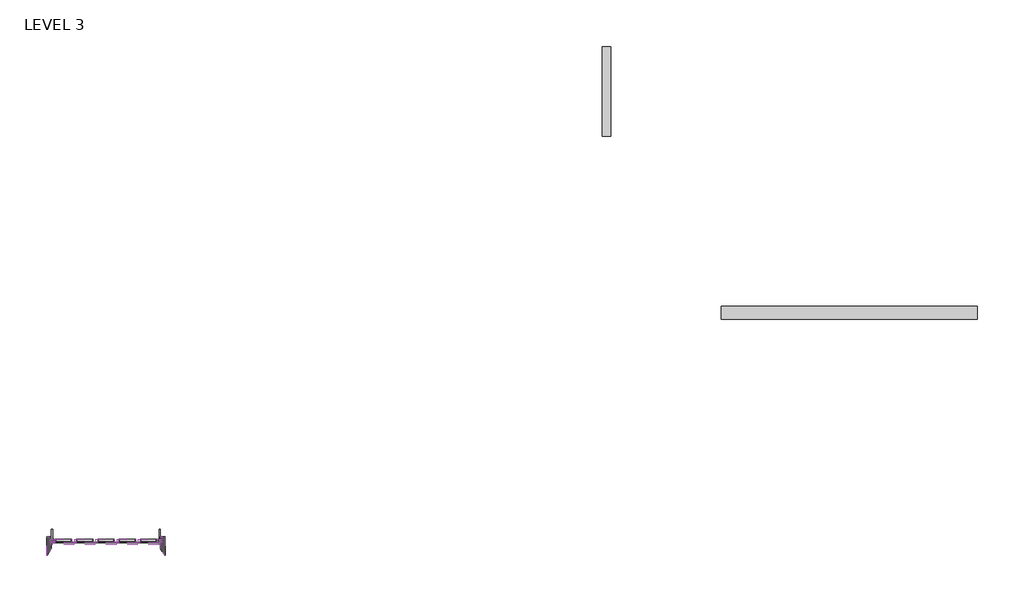
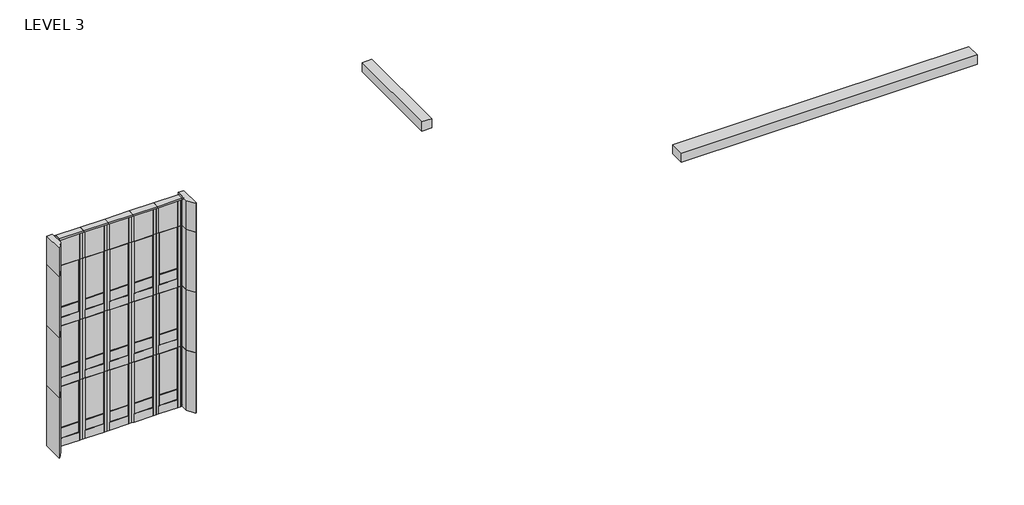
# One storey: 28 plates, 17 members, 2 proxies.
"""IFC4 building model written with IfcOpenShell, lengths in millimetres."""

import ifcopenshell
import ifcopenshell.guid

model = None  # the IFC model being written
_history = None  # IfcOwnerHistory: only IFC2X3 demands one
_inside = {}  # id of a spatial element -> (the spatial element, [elements in it])
_under = {}  # id of a project, library or spatial element -> (it, [spatial elements below it])
_declared = {}  # id of a project -> (the project, [libraries it declares])
_typed = {}  # id of a type object -> (the type object, [elements of that type])
_made_of = {}  # id of a material, layer set ... -> (it, [elements and type objects made of it])


def new_model(schema):
    """Start an empty IFC model of exactly this schema.

    Asked for "IFC4X3", IfcOpenShell would pick the latest addendum, in which some entities
    have other attributes; the version numbers below select the first issue.
    IFC2X3 requires an IfcOwnerHistory on every rooted entity: one is made here for all.
    """
    global model, _history
    if schema == "IFC4X3":
        model = ifcopenshell.file(schema_version=(4, 3, 0, 0))
    else:
        model = ifcopenshell.file(schema=schema)
    _inside.clear()
    _under.clear()
    _declared.clear()
    _typed.clear()
    _made_of.clear()
    _history = None
    if model.schema == "IFC2X3":
        org = make("IfcOrganization", Name="unknown")
        user = make(
            "IfcPersonAndOrganization",
            ThePerson=make("IfcPerson", FamilyName="unknown"),
            TheOrganization=org,
        )
        app = make(
            "IfcApplication",
            ApplicationDeveloper=org,
            Version="unknown",
            ApplicationFullName="unknown",
            ApplicationIdentifier="unknown",
        )
        _history = make(
            "IfcOwnerHistory",
            OwningUser=user,
            OwningApplication=app,
            ChangeAction="ADDED",
            CreationDate=0,
        )
    return model


def make(cls, **values):
    """One entity of the class cls with the attributes given. An attribute that is None is left unset."""
    return model.create_entity(
        cls, **{name: value for name, value in values.items() if value is not None}
    )


def rooted(cls, **values):
    """An entity with a GlobalId (a new one), such as an element, a storey or a relation."""
    return make(cls, GlobalId=ifcopenshell.guid.new(), OwnerHistory=_history, **values)


def si_unit(unit_type, name, prefix=None):
    """IfcSIUnit, for example si_unit("LENGTHUNIT", "METRE", prefix="MILLI")."""
    return make("IfcSIUnit", UnitType=unit_type, Prefix=prefix, Name=name)


def assignment(units):
    """IfcUnitAssignment: the units of a project."""
    return None if units is None else make("IfcUnitAssignment", Units=units)


def point(xyz):
    """IfcCartesianPoint."""
    return None if xyz is None else make("IfcCartesianPoint", Coordinates=xyz)


def direction(xyz):
    """IfcDirection."""
    return None if xyz is None else make("IfcDirection", DirectionRatios=xyz)


def frame(location, z_axis=None, x_axis=None):
    """IfcAxis2Placement3D, a coordinate frame: its origin and axes. An axis left out is left unset."""
    return make(
        "IfcAxis2Placement3D",
        Location=point(location),
        Axis=direction(z_axis),
        RefDirection=direction(x_axis),
    )


def origin():
    """The frame at (0, 0, 0) with its axes left unset."""
    return frame((0.0, 0.0, 0.0))


def origin_with_axes():
    """The frame at (0, 0, 0) with the z axis (0, 0, 1) and the x axis (1, 0, 0) written out."""
    return frame((0.0, 0.0, 0.0), z_axis=(0.0, 0.0, 1.0), x_axis=(1.0, 0.0, 0.0))


def place(relative_to, where):
    """IfcLocalPlacement: puts the frame where relative to a parent placement (None: the world)."""
    return make(
        "IfcLocalPlacement", PlacementRelTo=relative_to, RelativePlacement=where
    )


def context(
    kind, dimensions, precision=None, world=None, true_north=None, identifier=None
):
    """IfcGeometricRepresentationContext, for example the 3D "Model" context."""
    return make(
        "IfcGeometricRepresentationContext",
        ContextIdentifier=identifier,
        ContextType=kind,
        CoordinateSpaceDimension=dimensions,
        Precision=precision,
        WorldCoordinateSystem=world,
        TrueNorth=true_north,
    )


def project(units=None, contexts=None):
    """IfcProject with its units and contexts."""
    return rooted(
        "IfcProject",
        Name="project",
        RepresentationContexts=contexts,
        UnitsInContext=assignment(units),
    )


def spatial(cls, under=None, at=None, **own):
    """A site, building, storey or space (cls), placed at a placement, below another one or the project."""
    s = rooted(cls, ObjectPlacement=at, **own)
    if under is not None:
        _under.setdefault(under.id(), (under, []))[1].append(s)
    return s


def polyline(points):
    """IfcPolyline through the points."""
    return make("IfcPolyline", Points=[point(p) for p in points])


def outline(outer, holes=None, kind="AREA"):
    """IfcArbitraryClosedProfileDef: a profile drawn as a closed curve; with holes, ...WithVoids."""
    if holes is None:
        return make("IfcArbitraryClosedProfileDef", ProfileType=kind, OuterCurve=outer)
    return make(
        "IfcArbitraryProfileDefWithVoids",
        ProfileType=kind,
        OuterCurve=outer,
        InnerCurves=holes,
    )


def extrude(swept, where, along, depth):
    """IfcExtrudedAreaSolid: the profile swept, set in the frame where, extruded along a direction by depth."""
    return make(
        "IfcExtrudedAreaSolid",
        SweptArea=swept,
        Position=where,
        ExtrudedDirection=direction(along),
        Depth=depth,
    )


def shape(context_of_items, identifier, shape_type, items):
    """IfcShapeRepresentation: the items that make up one representation, for example the "Body"."""
    return make(
        "IfcShapeRepresentation",
        ContextOfItems=context_of_items,
        RepresentationIdentifier=identifier,
        RepresentationType=shape_type,
        Items=items,
    )


def source(mapping_origin, context_of_items, identifier, shape_type, items):
    """IfcRepresentationMap: a shape defined once, which mapped items show again and again."""
    return make(
        "IfcRepresentationMap",
        MappingOrigin=mapping_origin,
        MappedRepresentation=shape(context_of_items, identifier, shape_type, items),
    )


def transform(
    local_origin,
    x_axis=None,
    y_axis=None,
    z_axis=None,
    scale=None,
    scale2=None,
    scale3=None,
    uniform=True,
):
    """IfcCartesianTransformationOperator3D, or its non-uniform kind. x_axis, y_axis, z_axis: its Axis1, 2, 3."""
    if uniform:
        return make(
            "IfcCartesianTransformationOperator3D",
            Axis1=direction(x_axis),
            Axis2=direction(y_axis),
            LocalOrigin=point(local_origin),
            Scale=scale,
            Axis3=direction(z_axis),
        )
    return make(
        "IfcCartesianTransformationOperator3DnonUniform",
        Axis1=direction(x_axis),
        Axis2=direction(y_axis),
        LocalOrigin=point(local_origin),
        Scale=scale,
        Axis3=direction(z_axis),
        Scale2=scale2,
        Scale3=scale3,
    )


def mapped(mapping_source, mapping_target):
    """IfcMappedItem: shows the shape of a source again, moved by a transform."""
    return make(
        "IfcMappedItem", MappingSource=mapping_source, MappingTarget=mapping_target
    )


def made_of(thing, what):
    """Note that an element or type object is made of a material, layer set ...; save() writes the relation."""
    if what is not None:
        _made_of.setdefault(what.id(), (what, []))[1].append(thing)
    return thing


def element(
    cls,
    number,
    at=None,
    inside=None,
    cuts=None,
    type_object=None,
    material=None,
    context=None,
    identifier="Body",
    shape_type=None,
    held_by="IfcProductDefinitionShape",
    body=None,
    shapes=None,
    **own,
):
    """One element of the class cls, such as IfcWall. Its Tag is "e" and its number.

    at: its placement. inside: the storey or other place that contains it. cuts: it is an
    opening in that element (IfcRelVoidsElement). A single representation is given by context,
    identifier, shape_type and body (its items); several are given by shapes. held_by: the class
    of the entity that holds the representations. save() writes the other relations.
    """
    e = rooted(cls, Tag="e%d" % number, ObjectPlacement=at, **own)
    if body is not None:
        shapes = [shape(context, identifier, shape_type, body)]
    if shapes is not None:
        e.Representation = make(held_by, Representations=shapes)
    if inside is not None:
        _inside.setdefault(inside.id(), (inside, []))[1].append(e)
    if cuts is not None:
        rooted(
            "IfcRelVoidsElement", RelatingBuildingElement=cuts, RelatedOpeningElement=e
        )
    if type_object is not None:
        _typed.setdefault(type_object.id(), (type_object, []))[1].append(e)
    return made_of(e, material)


def aggregate(whole, parts):
    """IfcRelAggregates: a whole, such as a stair, and the parts it consists of."""
    return rooted("IfcRelAggregates", RelatingObject=whole, RelatedObjects=parts)


def save(model, path):
    """Write the relations noted so far, then the file.

    IfcRelAggregates (storeys below a building ...), IfcRelContainedInSpatialStructure (elements
    in a storey), IfcRelDefinesByType, IfcRelAssociatesMaterial and IfcRelDeclares: one each for
    every whole, place, type object, material and project.
    """
    for whole, parts in _under.values():
        aggregate(whole, parts)
    for where, things in _inside.values():
        rooted(
            "IfcRelContainedInSpatialStructure",
            RelatedElements=things,
            RelatingStructure=where,
        )
    for kind, things in _typed.values():
        rooted("IfcRelDefinesByType", RelatedObjects=things, RelatingType=kind)
    for what, things in _made_of.values():
        rooted("IfcRelAssociatesMaterial", RelatedObjects=things, RelatingMaterial=what)
    for by, libraries in _declared.values():
        rooted("IfcRelDeclares", RelatingContext=by, RelatedDefinitions=libraries)
    model.write(path)


def rectangular_mullion_corner_mullion_type_1_left_9e9c9ef2(model_context):
    return source(origin(), model_context, "Body", "SweptSolid", [
        extrude(outline(polyline([(-355.6, -381.0), (-355.6, 508.0), (-50.8, 965.2), (0.0, 965.2), (0.0, -381.0), (-355.6, -381.0)])), frame((0.0, 0.0, -3962.4), z_axis=(0.0, 0.0, 1.0), x_axis=(1.0, 0.0, 0.0)), (0.0, 0.0, 1.0), 3962.4),
    ])


def rectangular_mullion_corner_mullion_type_1_left_5a44f081(model_context):
    return source(origin(), model_context, "Body", "SweptSolid", [
        extrude(outline(polyline([(-355.6, -381.0), (-355.6, 508.0), (-50.8, 965.2), (0.0, 965.2), (0.0, -381.0), (-355.6, -381.0)])), frame((0.0, 0.0, -1892.3), z_axis=(0.0, 0.0, 1.0), x_axis=(1.0, 0.0, 0.0)), (0.0, 0.0, 1.0), 1892.3),
    ])


def rectangular_mullion_office_entry_notch_soffit_bc41a7c0(model_context):
    return source(origin(), model_context, "Body", "SweptSolid", [
        extrude(outline(polyline([(0.0, -901.7), (-101.6, -901.7), (-101.6, 50.8), (0.0, 50.8), (0.0, -901.7)])), frame((0.0, 0.0, -101.6), z_axis=(0.0, 0.0, 1.0), x_axis=(1.0, 0.0, 0.0)), (0.0, 0.0, 1.0), 101.6),
    ])


def rectangular_mullion_parapet_coping_8_in_85e4f691(model_context):
    return source(origin(), model_context, "Body", "SweptSolid", [
        extrude(outline(polyline([(-101.6, -190.5), (-101.6, 203.2), (0.0, 203.2), (0.0, -190.5), (-101.6, -190.5)])), frame((0.0, 0.0, -1524.0), z_axis=(0.0, 0.0, 1.0), x_axis=(1.0, 0.0, 0.0)), (0.0, 0.0, 1.0), 1524.0),
    ])


def rectangular_mullion_parapet_coping_8_in_cdf0a3d5(model_context):
    return source(origin(), model_context, "Body", "SweptSolid", [
        extrude(outline(polyline([(-101.6, -190.5), (-101.6, 203.2), (0.0, 203.2), (0.0, -190.5), (-101.6, -190.5)])), frame((0.0, 0.0, -101.6), z_axis=(0.0, 0.0, 1.0), x_axis=(1.0, 0.0, 0.0)), (0.0, 0.0, 1.0), 101.6),
    ])


def b38_cw_2_typical_notch_corten_e8821526(model_context):
    return source(origin(), model_context, "Body", "SweptSolid", [
        extrude(outline(polyline([(-584.2, -25.4), (584.2, -25.4), (584.2, -50.8), (-584.2, -50.8), (-584.2, -25.4)])), origin_with_axes(), (0.0, 0.0, 1.0), 533.4),
        extrude(outline(polyline([(-762.0, -50.8), (-762.0, -25.4), (-584.2, -25.4), (-584.2, -50.8), (-762.0, -50.8)])), origin_with_axes(), (0.0, 0.0, 1.0), 3962.4),
        extrude(outline(polyline([(584.2, -50.8), (584.2, -25.4), (762.0, -25.4), (762.0, -50.8), (584.2, -50.8)])), origin_with_axes(), (0.0, 0.0, 1.0), 3962.4),
        extrude(outline(polyline([(600.075, 0.0), (-600.075, 0.0), (-600.075, 25.4), (600.075, 25.4), (600.075, 0.0)])), frame((0.0, 0.0, 15.875), z_axis=(0.0, 0.0, 1.0), x_axis=(1.0, 0.0, 0.0)), (0.0, 0.0, 1.0), 1162.05),
        extrude(outline(polyline([(190.5, 1231.9), (190.5, 1155.7), (31.75, 1155.7), (31.75, 1177.925), (-6.35, 1177.925), (-6.35, 1209.675), (31.75, 1209.675), (31.75, 1231.9), (190.5, 1231.9)])), frame((-600.075, 0.0, 0.0), z_axis=(1.0, 0.0, 0.0), x_axis=(0.0, 1.0, 0.0)), (0.0, 0.0, 1.0), 1200.15),
        extrude(outline(polyline([(561.975, 190.5), (600.075, 190.5), (600.075, -25.4), (561.975, -25.4), (561.975, -6.35), (584.2, -6.35), (584.2, 31.75), (561.975, 31.75), (561.975, 190.5)])), frame((0.0, 0.0, 38.1), z_axis=(0.0, 0.0, 1.0), x_axis=(1.0, 0.0, 0.0)), (0.0, 0.0, 1.0), 3886.2),
        extrude(outline(polyline([(561.975, 31.75), (-561.975, 31.75), (-561.975, 95.25), (561.975, 95.25), (561.975, 31.75)])), frame((0.0, 0.0, 15.875), z_axis=(0.0, 0.0, 1.0), x_axis=(1.0, 0.0, 0.0)), (0.0, 0.0, 1.0), 1139.825),
        extrude(outline(polyline([(584.2, 0.0), (-584.2, 0.0), (-584.2, 25.4), (584.2, 25.4), (584.2, 0.0)])), frame((0.0, 0.0, 1209.675), z_axis=(0.0, 0.0, 1.0), x_axis=(1.0, 0.0, 0.0)), (0.0, 0.0, 1.0), 2736.85),
        extrude(outline(polyline([(190.5, 38.1), (190.5, 0.0), (-25.4, 0.0), (-25.4, 38.1), (-6.35, 38.1), (-6.35, 15.875), (31.75, 15.875), (31.75, 38.1), (190.5, 38.1)])), frame((-600.075, 0.0, 0.0), z_axis=(1.0, 0.0, 0.0), x_axis=(0.0, 1.0, 0.0)), (0.0, 0.0, 1.0), 1200.15),
        extrude(outline(polyline([(190.5, 3924.3), (31.75, 3924.3), (31.75, 3946.525), (-6.35, 3946.525), (-6.35, 3924.3), (-25.4, 3924.3), (-25.4, 3962.4), (190.5, 3962.4), (190.5, 3924.3)])), frame((-600.075, 0.0, 0.0), z_axis=(1.0, 0.0, 0.0), x_axis=(0.0, 1.0, 0.0)), (0.0, 0.0, 1.0), 1200.15),
        extrude(outline(polyline([(-561.975, 190.5), (-561.975, 31.75), (-584.2, 31.75), (-584.2, -6.35), (-561.975, -6.35), (-561.975, -25.4), (-600.075, -25.4), (-600.075, 190.5), (-561.975, 190.5)])), frame((0.0, 0.0, 38.1), z_axis=(0.0, 0.0, 1.0), x_axis=(1.0, 0.0, 0.0)), (0.0, 0.0, 1.0), 3886.2),
    ])


def b38_cw_2_typical_parapet_typical_01d58a1f(model_context):
    return source(origin(), model_context, "Body", "SweptSolid", [
        extrude(outline(polyline([(-584.2, -25.4), (584.2, -25.4), (584.2, -50.8), (-584.2, -50.8), (-584.2, -25.4)])), origin_with_axes(), (0.0, 0.0, 1.0), 1790.7),
        extrude(outline(polyline([(-762.0, -50.8), (-762.0, -25.4), (-584.2, -25.4), (-584.2, -50.8), (-762.0, -50.8)])), origin_with_axes(), (0.0, 0.0, 1.0), 1790.7),
        extrude(outline(polyline([(584.2, -50.8), (584.2, -25.4), (762.0, -25.4), (762.0, -50.8), (584.2, -50.8)])), origin_with_axes(), (0.0, 0.0, 1.0), 1790.7),
        extrude(outline(polyline([(561.975, 190.5), (600.075, 190.5), (600.075, -25.4), (561.975, -25.4), (561.975, -6.35), (584.2, -6.35), (584.2, 31.75), (561.975, 31.75), (561.975, 190.5)])), frame((0.0, 0.0, 38.1), z_axis=(0.0, 0.0, 1.0), x_axis=(1.0, 0.0, 0.0)), (0.0, 0.0, 1.0), 1714.5),
        extrude(outline(polyline([(561.975, 31.75), (-561.975, 31.75), (-561.975, 95.25), (561.975, 95.25), (561.975, 31.75)])), frame((0.0, 0.0, 15.875), z_axis=(0.0, 0.0, 1.0), x_axis=(1.0, 0.0, 0.0)), (0.0, 0.0, 1.0), 1736.725),
        extrude(outline(polyline([(190.5, 38.1), (190.5, 0.0), (-25.4, 0.0), (-25.4, 38.1), (-6.35, 38.1), (-6.35, 15.875), (31.75, 15.875), (31.75, 38.1), (190.5, 38.1)])), frame((-600.075, 0.0, 0.0), z_axis=(1.0, 0.0, 0.0), x_axis=(0.0, 1.0, 0.0)), (0.0, 0.0, 1.0), 1200.15),
        extrude(outline(polyline([(190.5, 1752.6), (31.75, 1752.6), (31.75, 1774.825), (-6.35, 1774.825), (-6.35, 1752.6), (-25.4, 1752.6), (-25.4, 1790.7), (190.5, 1790.7), (190.5, 1752.6)])), frame((-600.075, 0.0, 0.0), z_axis=(1.0, 0.0, 0.0), x_axis=(0.0, 1.0, 0.0)), (0.0, 0.0, 1.0), 1200.15),
        extrude(outline(polyline([(-561.975, 190.5), (-561.975, 31.75), (-584.2, 31.75), (-584.2, -6.35), (-561.975, -6.35), (-561.975, -25.4), (-600.075, -25.4), (-600.075, 190.5), (-561.975, 190.5)])), frame((0.0, 0.0, 38.1), z_axis=(0.0, 0.0, 1.0), x_axis=(1.0, 0.0, 0.0)), (0.0, 0.0, 1.0), 1714.5),
    ])


def b38_cw_2_typical_parapet_typical_86ca332a(model_context):
    return source(origin(), model_context, "Body", "SweptSolid", [
        extrude(outline(polyline([(-127.0, -25.4), (127.0, -25.4), (127.0, -50.8), (-127.0, -50.8), (-127.0, -25.4)])), origin_with_axes(), (0.0, 0.0, 1.0), 3962.4),
        extrude(outline(polyline([(-50.8, -50.8), (-50.8, -25.4), (127.0, -25.4), (127.0, -50.8), (-50.8, -50.8)])), origin_with_axes(), (0.0, 0.0, 1.0), 3962.4),
        extrude(outline(polyline([(-127.0, -50.8), (-127.0, -25.4), (50.8, -25.4), (50.8, -50.8), (-127.0, -50.8)])), origin_with_axes(), (0.0, 0.0, 1.0), 3962.4),
        extrude(outline(polyline([(-149.225, 190.5), (-111.125, 190.5), (-111.125, -25.4), (-149.225, -25.4), (-149.225, -6.35), (-127.0, -6.35), (-127.0, 31.75), (-149.225, 31.75), (-149.225, 190.5)])), frame((0.0, 0.0, 38.1), z_axis=(0.0, 0.0, 1.0), x_axis=(1.0, 0.0, 0.0)), (0.0, 0.0, 1.0), 3886.2),
        extrude(outline(polyline([(-149.225, 31.75), (-149.225, 95.25), (149.225, 95.25), (149.225, 31.75), (-149.225, 31.75)])), frame((0.0, 0.0, 15.875), z_axis=(0.0, 0.0, 1.0), x_axis=(1.0, 0.0, 0.0)), (0.0, 0.0, 1.0), 3908.425),
        extrude(outline(polyline([(190.5, -38.1), (31.75, -38.1), (31.75, -15.875), (-6.35, -15.875), (-6.35, -38.1), (-25.4, -38.1), (-25.4, 0.0), (190.5, 0.0), (190.5, -38.1)])), frame((-111.125, 0.0, 0.0), z_axis=(1.0, 0.0, 0.0), x_axis=(0.0, 1.0, 0.0)), (0.0, 0.0, 1.0), 222.25),
        extrude(outline(polyline([(190.5, 4000.5), (190.5, 3962.4), (-25.4, 3962.4), (-25.4, 4000.5), (-6.35, 4000.5), (-6.35, 3978.275), (31.75, 3978.275), (31.75, 4000.5), (190.5, 4000.5)])), frame((-111.125, 0.0, 0.0), z_axis=(1.0, 0.0, 0.0), x_axis=(0.0, 1.0, 0.0)), (0.0, 0.0, 1.0), 222.25),
        extrude(outline(polyline([(149.225, 190.5), (149.225, 31.75), (127.0, 31.75), (127.0, -6.35), (149.225, -6.35), (149.225, -25.4), (111.125, -25.4), (111.125, 190.5), (149.225, 190.5)])), frame((0.0, 0.0, 38.1), z_axis=(0.0, 0.0, 1.0), x_axis=(1.0, 0.0, 0.0)), (0.0, 0.0, 1.0), 3886.2),
    ])


def b38_cw_2_typical_parapet_typical_e9247e88(model_context):
    return source(origin(), model_context, "Body", "SweptSolid", [
        extrude(outline(polyline([(-127.0, -25.4), (127.0, -25.4), (127.0, -50.8), (-127.0, -50.8), (-127.0, -25.4)])), origin_with_axes(), (0.0, 0.0, 1.0), 1790.7),
        extrude(outline(polyline([(-50.8, -50.8), (-50.8, -25.4), (127.0, -25.4), (127.0, -50.8), (-50.8, -50.8)])), origin_with_axes(), (0.0, 0.0, 1.0), 1790.7),
        extrude(outline(polyline([(-127.0, -50.8), (-127.0, -25.4), (50.8, -25.4), (50.8, -50.8), (-127.0, -50.8)])), origin_with_axes(), (0.0, 0.0, 1.0), 1790.7),
        extrude(outline(polyline([(-149.225, 190.5), (-111.125, 190.5), (-111.125, -25.4), (-149.225, -25.4), (-149.225, -6.35), (-127.0, -6.35), (-127.0, 31.75), (-149.225, 31.75), (-149.225, 190.5)])), frame((0.0, 0.0, 38.1), z_axis=(0.0, 0.0, 1.0), x_axis=(1.0, 0.0, 0.0)), (0.0, 0.0, 1.0), 1714.5),
        extrude(outline(polyline([(-149.225, 31.75), (-149.225, 95.25), (149.225, 95.25), (149.225, 31.75), (-149.225, 31.75)])), frame((0.0, 0.0, 15.875), z_axis=(0.0, 0.0, 1.0), x_axis=(1.0, 0.0, 0.0)), (0.0, 0.0, 1.0), 1736.725),
        extrude(outline(polyline([(190.5, -38.1), (31.75, -38.1), (31.75, -15.875), (-6.35, -15.875), (-6.35, -38.1), (-25.4, -38.1), (-25.4, 0.0), (190.5, 0.0), (190.5, -38.1)])), frame((-111.125, 0.0, 0.0), z_axis=(1.0, 0.0, 0.0), x_axis=(0.0, 1.0, 0.0)), (0.0, 0.0, 1.0), 222.25),
        extrude(outline(polyline([(190.5, 1828.8), (190.5, 1790.7), (-25.4, 1790.7), (-25.4, 1828.8), (-6.35, 1828.8), (-6.35, 1806.575), (31.75, 1806.575), (31.75, 1828.8), (190.5, 1828.8)])), frame((-111.125, 0.0, 0.0), z_axis=(1.0, 0.0, 0.0), x_axis=(0.0, 1.0, 0.0)), (0.0, 0.0, 1.0), 222.25),
        extrude(outline(polyline([(149.225, 190.5), (149.225, 31.75), (127.0, 31.75), (127.0, -6.35), (149.225, -6.35), (149.225, -25.4), (111.125, -25.4), (111.125, 190.5), (149.225, 190.5)])), frame((0.0, 0.0, 38.1), z_axis=(0.0, 0.0, 1.0), x_axis=(1.0, 0.0, 0.0)), (0.0, 0.0, 1.0), 1714.5),
    ])


def b38_cw_2_typical_parapet_typical_ed0a87f7(model_context):
    return source(origin(), model_context, "Body", "SweptSolid", [
        extrude(outline(polyline([(-127.0, -25.4), (127.0, -25.4), (127.0, -50.8), (-127.0, -50.8), (-127.0, -25.4)])), origin_with_axes(), (0.0, 0.0, 1.0), 3860.8),
        extrude(outline(polyline([(-50.8, -50.8), (-50.8, -25.4), (127.0, -25.4), (127.0, -50.8), (-50.8, -50.8)])), origin_with_axes(), (0.0, 0.0, 1.0), 3860.8),
        extrude(outline(polyline([(-127.0, -50.8), (-127.0, -25.4), (50.8, -25.4), (50.8, -50.8), (-127.0, -50.8)])), origin_with_axes(), (0.0, 0.0, 1.0), 3860.8),
        extrude(outline(polyline([(-149.225, 190.5), (-111.125, 190.5), (-111.125, -25.4), (-149.225, -25.4), (-149.225, -6.35), (-127.0, -6.35), (-127.0, 31.75), (-149.225, 31.75), (-149.225, 190.5)])), frame((0.0, 0.0, 38.1), z_axis=(0.0, 0.0, 1.0), x_axis=(1.0, 0.0, 0.0)), (0.0, 0.0, 1.0), 3784.6),
        extrude(outline(polyline([(-149.225, 31.75), (-149.225, 95.25), (149.225, 95.25), (149.225, 31.75), (-149.225, 31.75)])), frame((0.0, 0.0, 15.875), z_axis=(0.0, 0.0, 1.0), x_axis=(1.0, 0.0, 0.0)), (0.0, 0.0, 1.0), 3806.825),
        extrude(outline(polyline([(190.5, -38.1), (31.75, -38.1), (31.75, -15.875), (-6.35, -15.875), (-6.35, -38.1), (-25.4, -38.1), (-25.4, 0.0), (190.5, 0.0), (190.5, -38.1)])), frame((-111.125, 0.0, 0.0), z_axis=(1.0, 0.0, 0.0), x_axis=(0.0, 1.0, 0.0)), (0.0, 0.0, 1.0), 222.25),
        extrude(outline(polyline([(190.5, 3898.9), (190.5, 3860.8), (-25.4, 3860.8), (-25.4, 3898.9), (-6.35, 3898.9), (-6.35, 3876.675), (31.75, 3876.675), (31.75, 3898.9), (190.5, 3898.9)])), frame((-111.125, 0.0, 0.0), z_axis=(1.0, 0.0, 0.0), x_axis=(0.0, 1.0, 0.0)), (0.0, 0.0, 1.0), 222.25),
        extrude(outline(polyline([(149.225, 190.5), (149.225, 31.75), (127.0, 31.75), (127.0, -6.35), (149.225, -6.35), (149.225, -25.4), (111.125, -25.4), (111.125, 190.5), (149.225, 190.5)])), frame((0.0, 0.0, 38.1), z_axis=(0.0, 0.0, 1.0), x_axis=(1.0, 0.0, 0.0)), (0.0, 0.0, 1.0), 3784.6),
    ])


model = new_model("IFC4")

# Units and contexts
model_context = context("Model", 3, world=origin())
ifc_project = project(units=[si_unit("LENGTHUNIT", "METRE", prefix="MILLI")], contexts=[model_context])

# Site, building, storey
site = spatial("IfcSite", under=ifc_project)
building = spatial("IfcBuilding", under=site)
storey = spatial("IfcBuildingStorey", under=building, Name="LEVEL 3", Elevation=18897.6)

# Proxies
placement = place(None, origin())
element("IfcBuildingElementProxy", 1, Name="Concrete Duct Bank : Concrete Duct Bank", ObjectType="Concrete Duct Bank : Concrete Duct Bank", at=placement, inside=storey, context=model_context, shape_type="SweptSolid", body=[
    extrude(outline(polyline([(1225.4480458, 16983.075), (-17170.7219932, 16983.075), (-17170.7219932, 17897.475), (1225.4480458, 17897.475), (1225.4480458, 16983.075)])), frame((0.0, 0.0, 9956.8), z_axis=(0.0, 0.0, 1.0), x_axis=(1.0, 0.0, 0.0)), (0.0, 0.0, 1.0), 609.6),
])
element("IfcBuildingElementProxy", 2, Name="DUCT BANK 2'x2'4 : DUCT BANK 2'x2'", ObjectType="DUCT BANK 2'x2'4 : DUCT BANK 2'x2'", at=placement, inside=storey, context=model_context, shape_type="SweptSolid", body=[
    extrude(outline(polyline([(-25095.5219932, 30133.925), (-25705.1219932, 30133.925), (-25705.1219932, 36567.8562895), (-25095.5219932, 36567.8562895), (-25095.5219932, 30133.925)])), frame((0.0, 0.0, 7010.4), z_axis=(0.0, 0.0, 1.0), x_axis=(1.0, 0.0, 0.0)), (0.0, 0.0, 1.0), 609.6),
])

# Members
rectangular_mullion_corner_mullion_type_1_left_shape = rectangular_mullion_corner_mullion_type_1_left_9e9c9ef2(model_context)
element("IfcMember", 3, ObjectType="Rectangular Mullion : Corner Mullion Type #1_Left", at=placement, inside=storey, context=model_context, shape_type="MappedRepresentation", body=[
    mapped(rectangular_mullion_corner_mullion_type_1_left_shape, transform((-65633.9219932, 990.6, 29654.5), x_axis=(-1.0, 0.0, 0.0), y_axis=(0.0, -1.0, 0.0), z_axis=(0.0, 0.0, 1.0))),
])
element("IfcMember", 4, ObjectType="Rectangular Mullion : Corner Mullion Type #1_Left", at=placement, inside=storey, context=model_context, shape_type="MappedRepresentation", body=[
    mapped(rectangular_mullion_corner_mullion_type_1_left_shape, transform((-65633.9219932, 990.6, 25692.1), x_axis=(-1.0, 0.0, 0.0), y_axis=(0.0, -1.0, 0.0), z_axis=(0.0, 0.0, 1.0))),
])
rectangular_mullion_corner_mullion_type_1_left_2_shape = rectangular_mullion_corner_mullion_type_1_left_5a44f081(model_context)
element("IfcMember", 5, ObjectType="Rectangular Mullion : Corner Mullion Type #1_Left", at=placement, inside=storey, context=model_context, shape_type="MappedRepresentation", body=[
    mapped(rectangular_mullion_corner_mullion_type_1_left_2_shape, transform((-65633.9219932, 990.6, 31546.8), x_axis=(-1.0, 0.0, 0.0), y_axis=(0.0, -1.0, 0.0), z_axis=(0.0, 0.0, 1.0))),
])
element("IfcMember", 6, ObjectType="Rectangular Mullion : Corner Mullion Type #1_Left", at=placement, inside=storey, context=model_context, shape_type="MappedRepresentation", body=[
    mapped(rectangular_mullion_corner_mullion_type_1_left_shape, transform((-65633.9219932, 990.6, 21729.7), x_axis=(-1.0, 0.0, 0.0), y_axis=(0.0, -1.0, 0.0), z_axis=(0.0, 0.0, 1.0))),
])
element("IfcMember", 7, ObjectType="Rectangular Mullion : Corner Mullion Type #1_Right", at=placement, inside=storey, context=model_context, shape_type="MappedRepresentation", body=[
    mapped(rectangular_mullion_corner_mullion_type_1_left_shape, transform((-57099.5219932, 990.6, 25692.1), x_axis=(1.0, 0.0, 0.0), y_axis=(0.0, -1.0, 0.0), z_axis=(0.0, 0.0, -1.0))),
])
element("IfcMember", 8, ObjectType="Rectangular Mullion : Corner Mullion Type #1_Right", at=placement, inside=storey, context=model_context, shape_type="MappedRepresentation", body=[
    mapped(rectangular_mullion_corner_mullion_type_1_left_shape, transform((-57099.5219932, 990.6, 21729.7), x_axis=(1.0, 0.0, 0.0), y_axis=(0.0, -1.0, 0.0), z_axis=(0.0, 0.0, -1.0))),
])
element("IfcMember", 9, ObjectType="Rectangular Mullion : Corner Mullion Type #1_Right", at=placement, inside=storey, context=model_context, shape_type="MappedRepresentation", body=[
    mapped(rectangular_mullion_corner_mullion_type_1_left_2_shape, transform((-57099.5219932, 990.6, 29654.5), x_axis=(1.0, 0.0, 0.0), y_axis=(0.0, -1.0, 0.0), z_axis=(0.0, 0.0, -1.0))),
])
element("IfcMember", 10, ObjectType="Rectangular Mullion : Corner Mullion Type #1_Right", at=placement, inside=storey, context=model_context, shape_type="MappedRepresentation", body=[
    mapped(rectangular_mullion_corner_mullion_type_1_left_shape, transform((-57099.5219932, 990.6, 17767.3), x_axis=(1.0, 0.0, 0.0), y_axis=(0.0, -1.0, 0.0), z_axis=(0.0, 0.0, -1.0))),
])
rectangular_mullion_office_entry_notch_soffit_shape = rectangular_mullion_office_entry_notch_soffit_bc41a7c0(model_context)
element("IfcMember", 11, ObjectType="Rectangular Mullion : Office Entry Notch Soffit", at=placement, inside=storey, context=model_context, shape_type="MappedRepresentation", body=[
    mapped(rectangular_mullion_office_entry_notch_soffit_shape, transform((-57556.7219932, 990.6, 17767.3), x_axis=(0.0, 0.0, -1.0), y_axis=(0.0, -1.0, 0.0), z_axis=(-1.0, 0.0, 0.0))),
])
element("IfcMember", 12, ObjectType="Rectangular Mullion : Office Entry Notch Soffit", at=placement, inside=storey, context=model_context, shape_type="MappedRepresentation", body=[
    mapped(rectangular_mullion_office_entry_notch_soffit_shape, transform((-65278.3219932, 990.6, 17767.3), x_axis=(0.0, 0.0, -1.0), y_axis=(0.0, -1.0, 0.0), z_axis=(-1.0, 0.0, 0.0))),
])
rectangular_mullion_parapet_coping_8_in_shape = rectangular_mullion_parapet_coping_8_in_85e4f691(model_context)
element("IfcMember", 13, ObjectType="Rectangular Mullion : Parapet Coping_8 in", at=placement, inside=storey, context=model_context, shape_type="MappedRepresentation", body=[
    mapped(rectangular_mullion_parapet_coping_8_in_shape, transform((-57556.7219932, 990.6, 31546.8), x_axis=(0.0, 0.0, 1.0), y_axis=(0.0, -1.0, 0.0), z_axis=(1.0, 0.0, 0.0))),
])
element("IfcMember", 14, ObjectType="Rectangular Mullion : Parapet Coping_8 in", at=placement, inside=storey, context=model_context, shape_type="MappedRepresentation", body=[
    mapped(rectangular_mullion_parapet_coping_8_in_shape, transform((-59080.7219932, 990.6, 31546.8), x_axis=(0.0, 0.0, 1.0), y_axis=(0.0, -1.0, 0.0), z_axis=(1.0, 0.0, 0.0))),
])
element("IfcMember", 15, ObjectType="Rectangular Mullion : Parapet Coping_8 in", at=placement, inside=storey, context=model_context, shape_type="MappedRepresentation", body=[
    mapped(rectangular_mullion_parapet_coping_8_in_shape, transform((-60604.7219932, 990.6, 31546.8), x_axis=(0.0, 0.0, 1.0), y_axis=(0.0, -1.0, 0.0), z_axis=(1.0, 0.0, 0.0))),
])
element("IfcMember", 16, ObjectType="Rectangular Mullion : Parapet Coping_8 in", at=placement, inside=storey, context=model_context, shape_type="MappedRepresentation", body=[
    mapped(rectangular_mullion_parapet_coping_8_in_shape, transform((-62128.7219932, 990.6, 31546.8), x_axis=(0.0, 0.0, 1.0), y_axis=(0.0, -1.0, 0.0), z_axis=(1.0, 0.0, 0.0))),
])
element("IfcMember", 17, ObjectType="Rectangular Mullion : Parapet Coping_8 in", at=placement, inside=storey, context=model_context, shape_type="MappedRepresentation", body=[
    mapped(rectangular_mullion_parapet_coping_8_in_shape, transform((-63652.7219932, 990.6, 31546.8), x_axis=(0.0, 0.0, 1.0), y_axis=(0.0, -1.0, 0.0), z_axis=(1.0, 0.0, 0.0))),
])
rectangular_mullion_parapet_coping_8_in_2_shape = rectangular_mullion_parapet_coping_8_in_cdf0a3d5(model_context)
element("IfcMember", 18, ObjectType="Rectangular Mullion : Parapet Coping_8 in", at=placement, inside=storey, context=model_context, shape_type="MappedRepresentation", body=[
    mapped(rectangular_mullion_parapet_coping_8_in_2_shape, transform((-65176.7219932, 990.6, 31546.8), x_axis=(0.0, 0.0, 1.0), y_axis=(0.0, -1.0, 0.0), z_axis=(1.0, 0.0, 0.0))),
])
element("IfcMember", 19, ObjectType="Rectangular Mullion : Parapet Coping_8 in", at=placement, inside=storey, context=model_context, shape_type="MappedRepresentation", body=[
    mapped(rectangular_mullion_parapet_coping_8_in_2_shape, transform((-57455.1219932, 990.6, 31546.8), x_axis=(0.0, 0.0, 1.0), y_axis=(0.0, -1.0, 0.0), z_axis=(1.0, 0.0, 0.0))),
])

# Plates
b38_cw_2_typical_notch_corten_shape = b38_cw_2_typical_notch_corten_e8821526(model_context)
element("IfcPlate", 20, ObjectType="B38_CW #2_Typical_Notch : Corten", at=placement, inside=storey, context=model_context, shape_type="MappedRepresentation", body=[
    mapped(b38_cw_2_typical_notch_corten_shape, transform((-64414.7219932, 990.6, 17767.3), x_axis=(1.0, 0.0, 0.0), y_axis=(0.0, 1.0, 0.0), z_axis=(0.0, 0.0, 1.0))),
])
element("IfcPlate", 21, ObjectType="B38_CW #2_Typical_Notch : Corten", at=placement, inside=storey, context=model_context, shape_type="MappedRepresentation", body=[
    mapped(b38_cw_2_typical_notch_corten_shape, transform((-64414.7219932, 990.6, 21729.7), x_axis=(1.0, 0.0, 0.0), y_axis=(0.0, 1.0, 0.0), z_axis=(0.0, 0.0, 1.0))),
])
element("IfcPlate", 22, ObjectType="B38_CW #2_Typical_Notch : Corten", at=placement, inside=storey, context=model_context, shape_type="MappedRepresentation", body=[
    mapped(b38_cw_2_typical_notch_corten_shape, transform((-64414.7219932, 990.6, 25692.1), x_axis=(1.0, 0.0, 0.0), y_axis=(0.0, 1.0, 0.0), z_axis=(0.0, 0.0, 1.0))),
])
element("IfcPlate", 23, ObjectType="B38_CW #2_Typical_Notch : Corten", at=placement, inside=storey, context=model_context, shape_type="MappedRepresentation", body=[
    mapped(b38_cw_2_typical_notch_corten_shape, transform((-62890.7219932, 990.6, 17767.3), x_axis=(1.0, 0.0, 0.0), y_axis=(0.0, 1.0, 0.0), z_axis=(0.0, 0.0, 1.0))),
])
element("IfcPlate", 24, ObjectType="B38_CW #2_Typical_Notch : Corten", at=placement, inside=storey, context=model_context, shape_type="MappedRepresentation", body=[
    mapped(b38_cw_2_typical_notch_corten_shape, transform((-62890.7219932, 990.6, 21729.7), x_axis=(1.0, 0.0, 0.0), y_axis=(0.0, 1.0, 0.0), z_axis=(0.0, 0.0, 1.0))),
])
element("IfcPlate", 25, ObjectType="B38_CW #2_Typical_Notch : Corten", at=placement, inside=storey, context=model_context, shape_type="MappedRepresentation", body=[
    mapped(b38_cw_2_typical_notch_corten_shape, transform((-62890.7219932, 990.6, 25692.1), x_axis=(1.0, 0.0, 0.0), y_axis=(0.0, 1.0, 0.0), z_axis=(0.0, 0.0, 1.0))),
])
element("IfcPlate", 26, ObjectType="B38_CW #2_Typical_Notch : Corten", at=placement, inside=storey, context=model_context, shape_type="MappedRepresentation", body=[
    mapped(b38_cw_2_typical_notch_corten_shape, transform((-61366.7219932, 990.6, 17767.3), x_axis=(1.0, 0.0, 0.0), y_axis=(0.0, 1.0, 0.0), z_axis=(0.0, 0.0, 1.0))),
])
element("IfcPlate", 27, ObjectType="B38_CW #2_Typical_Notch : Corten", at=placement, inside=storey, context=model_context, shape_type="MappedRepresentation", body=[
    mapped(b38_cw_2_typical_notch_corten_shape, transform((-61366.7219932, 990.6, 21729.7), x_axis=(1.0, 0.0, 0.0), y_axis=(0.0, 1.0, 0.0), z_axis=(0.0, 0.0, 1.0))),
])
element("IfcPlate", 28, ObjectType="B38_CW #2_Typical_Notch : Corten", at=placement, inside=storey, context=model_context, shape_type="MappedRepresentation", body=[
    mapped(b38_cw_2_typical_notch_corten_shape, transform((-61366.7219932, 990.6, 25692.1), x_axis=(1.0, 0.0, 0.0), y_axis=(0.0, 1.0, 0.0), z_axis=(0.0, 0.0, 1.0))),
])
element("IfcPlate", 29, ObjectType="B38_CW #2_Typical_Notch : Corten", at=placement, inside=storey, context=model_context, shape_type="MappedRepresentation", body=[
    mapped(b38_cw_2_typical_notch_corten_shape, transform((-59842.7219932, 990.6, 17767.3), x_axis=(1.0, 0.0, 0.0), y_axis=(0.0, 1.0, 0.0), z_axis=(0.0, 0.0, 1.0))),
])
element("IfcPlate", 30, ObjectType="B38_CW #2_Typical_Notch : Corten", at=placement, inside=storey, context=model_context, shape_type="MappedRepresentation", body=[
    mapped(b38_cw_2_typical_notch_corten_shape, transform((-59842.7219932, 990.6, 21729.7), x_axis=(1.0, 0.0, 0.0), y_axis=(0.0, 1.0, 0.0), z_axis=(0.0, 0.0, 1.0))),
])
element("IfcPlate", 31, ObjectType="B38_CW #2_Typical_Notch : Corten", at=placement, inside=storey, context=model_context, shape_type="MappedRepresentation", body=[
    mapped(b38_cw_2_typical_notch_corten_shape, transform((-59842.7219932, 990.6, 25692.1), x_axis=(1.0, 0.0, 0.0), y_axis=(0.0, 1.0, 0.0), z_axis=(0.0, 0.0, 1.0))),
])
element("IfcPlate", 32, ObjectType="B38_CW #2_Typical_Notch : Corten", at=placement, inside=storey, context=model_context, shape_type="MappedRepresentation", body=[
    mapped(b38_cw_2_typical_notch_corten_shape, transform((-58318.7219932, 990.6, 17767.3), x_axis=(1.0, 0.0, 0.0), y_axis=(0.0, 1.0, 0.0), z_axis=(0.0, 0.0, 1.0))),
])
element("IfcPlate", 33, ObjectType="B38_CW #2_Typical_Notch : Corten", at=placement, inside=storey, context=model_context, shape_type="MappedRepresentation", body=[
    mapped(b38_cw_2_typical_notch_corten_shape, transform((-58318.7219932, 990.6, 21729.7), x_axis=(1.0, 0.0, 0.0), y_axis=(0.0, 1.0, 0.0), z_axis=(0.0, 0.0, 1.0))),
])
element("IfcPlate", 34, ObjectType="B38_CW #2_Typical_Notch : Corten", at=placement, inside=storey, context=model_context, shape_type="MappedRepresentation", body=[
    mapped(b38_cw_2_typical_notch_corten_shape, transform((-58318.7219932, 990.6, 25692.1), x_axis=(1.0, 0.0, 0.0), y_axis=(0.0, 1.0, 0.0), z_axis=(0.0, 0.0, 1.0))),
])
b38_cw_2_typical_parapet_typical_shape = b38_cw_2_typical_parapet_typical_01d58a1f(model_context)
element("IfcPlate", 35, ObjectType="B38_CW #2_Typical_Parapet : TYPICAL", at=placement, inside=storey, context=model_context, shape_type="MappedRepresentation", body=[
    mapped(b38_cw_2_typical_parapet_typical_shape, transform((-64414.7219932, 990.6, 29654.5), x_axis=(1.0, 0.0, 0.0), y_axis=(0.0, 1.0, 0.0), z_axis=(0.0, 0.0, 1.0))),
])
element("IfcPlate", 36, ObjectType="B38_CW #2_Typical_Parapet : TYPICAL", at=placement, inside=storey, context=model_context, shape_type="MappedRepresentation", body=[
    mapped(b38_cw_2_typical_parapet_typical_shape, transform((-62890.7219932, 990.6, 29654.5), x_axis=(1.0, 0.0, 0.0), y_axis=(0.0, 1.0, 0.0), z_axis=(0.0, 0.0, 1.0))),
])
element("IfcPlate", 37, ObjectType="B38_CW #2_Typical_Parapet : TYPICAL", at=placement, inside=storey, context=model_context, shape_type="MappedRepresentation", body=[
    mapped(b38_cw_2_typical_parapet_typical_shape, transform((-61366.7219932, 990.6, 29654.5), x_axis=(1.0, 0.0, 0.0), y_axis=(0.0, 1.0, 0.0), z_axis=(0.0, 0.0, 1.0))),
])
element("IfcPlate", 38, ObjectType="B38_CW #2_Typical_Parapet : TYPICAL", at=placement, inside=storey, context=model_context, shape_type="MappedRepresentation", body=[
    mapped(b38_cw_2_typical_parapet_typical_shape, transform((-59842.7219932, 990.6, 29654.5), x_axis=(1.0, 0.0, 0.0), y_axis=(0.0, 1.0, 0.0), z_axis=(0.0, 0.0, 1.0))),
])
element("IfcPlate", 39, ObjectType="B38_CW #2_Typical_Parapet : TYPICAL", at=placement, inside=storey, context=model_context, shape_type="MappedRepresentation", body=[
    mapped(b38_cw_2_typical_parapet_typical_shape, transform((-58318.7219932, 990.6, 29654.5), x_axis=(1.0, 0.0, 0.0), y_axis=(0.0, 1.0, 0.0), z_axis=(0.0, 0.0, 1.0))),
])
b38_cw_2_typical_parapet_typical_2_shape = b38_cw_2_typical_parapet_typical_86ca332a(model_context)
element("IfcPlate", 40, ObjectType="B38_CW #2_Typical_Parapet : TYPICAL", at=placement, inside=storey, context=model_context, shape_type="MappedRepresentation", body=[
    mapped(b38_cw_2_typical_parapet_typical_2_shape, transform((-65227.5219932, 990.6, 21729.7), x_axis=(1.0, 0.0, 0.0), y_axis=(0.0, 1.0, 0.0), z_axis=(0.0, 0.0, 1.0))),
])
element("IfcPlate", 41, ObjectType="B38_CW #2_Typical_Parapet : TYPICAL", at=placement, inside=storey, context=model_context, shape_type="MappedRepresentation", body=[
    mapped(b38_cw_2_typical_parapet_typical_2_shape, transform((-65227.5219932, 990.6, 25692.1), x_axis=(1.0, 0.0, 0.0), y_axis=(0.0, 1.0, 0.0), z_axis=(0.0, 0.0, 1.0))),
])
element("IfcPlate", 42, ObjectType="B38_CW #2_Typical_Parapet : TYPICAL", at=placement, inside=storey, context=model_context, shape_type="MappedRepresentation", body=[
    mapped(b38_cw_2_typical_parapet_typical_2_shape, transform((-57505.9219932, 990.6, 21729.7), x_axis=(1.0, 0.0, 0.0), y_axis=(0.0, 1.0, 0.0), z_axis=(0.0, 0.0, 1.0))),
])
element("IfcPlate", 43, ObjectType="B38_CW #2_Typical_Parapet : TYPICAL", at=placement, inside=storey, context=model_context, shape_type="MappedRepresentation", body=[
    mapped(b38_cw_2_typical_parapet_typical_2_shape, transform((-57505.9219932, 990.6, 25692.1), x_axis=(1.0, 0.0, 0.0), y_axis=(0.0, 1.0, 0.0), z_axis=(0.0, 0.0, 1.0))),
])
b38_cw_2_typical_parapet_typical_3_shape = b38_cw_2_typical_parapet_typical_e9247e88(model_context)
element("IfcPlate", 44, ObjectType="B38_CW #2_Typical_Parapet : TYPICAL", at=placement, inside=storey, context=model_context, shape_type="MappedRepresentation", body=[
    mapped(b38_cw_2_typical_parapet_typical_3_shape, transform((-65227.5219932, 990.6, 29654.5), x_axis=(1.0, 0.0, 0.0), y_axis=(0.0, 1.0, 0.0), z_axis=(0.0, 0.0, 1.0))),
])
element("IfcPlate", 45, ObjectType="B38_CW #2_Typical_Parapet : TYPICAL", at=placement, inside=storey, context=model_context, shape_type="MappedRepresentation", body=[
    mapped(b38_cw_2_typical_parapet_typical_3_shape, transform((-57505.9219932, 990.6, 29654.5), x_axis=(1.0, 0.0, 0.0), y_axis=(0.0, 1.0, 0.0), z_axis=(0.0, 0.0, 1.0))),
])
b38_cw_2_typical_parapet_typical_4_shape = b38_cw_2_typical_parapet_typical_ed0a87f7(model_context)
element("IfcPlate", 46, ObjectType="B38_CW #2_Typical_Parapet : TYPICAL", at=placement, inside=storey, context=model_context, shape_type="MappedRepresentation", body=[
    mapped(b38_cw_2_typical_parapet_typical_4_shape, transform((-65227.5219932, 990.6, 17868.9), x_axis=(1.0, 0.0, 0.0), y_axis=(0.0, 1.0, 0.0), z_axis=(0.0, 0.0, 1.0))),
])
element("IfcPlate", 47, ObjectType="B38_CW #2_Typical_Parapet : TYPICAL", at=placement, inside=storey, context=model_context, shape_type="MappedRepresentation", body=[
    mapped(b38_cw_2_typical_parapet_typical_4_shape, transform((-57505.9219932, 990.6, 17868.9), x_axis=(1.0, 0.0, 0.0), y_axis=(0.0, 1.0, 0.0), z_axis=(0.0, 0.0, 1.0))),
])

save(model, "model.ifc")
